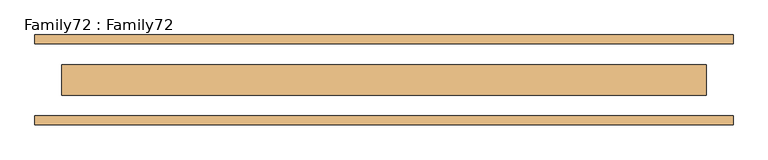
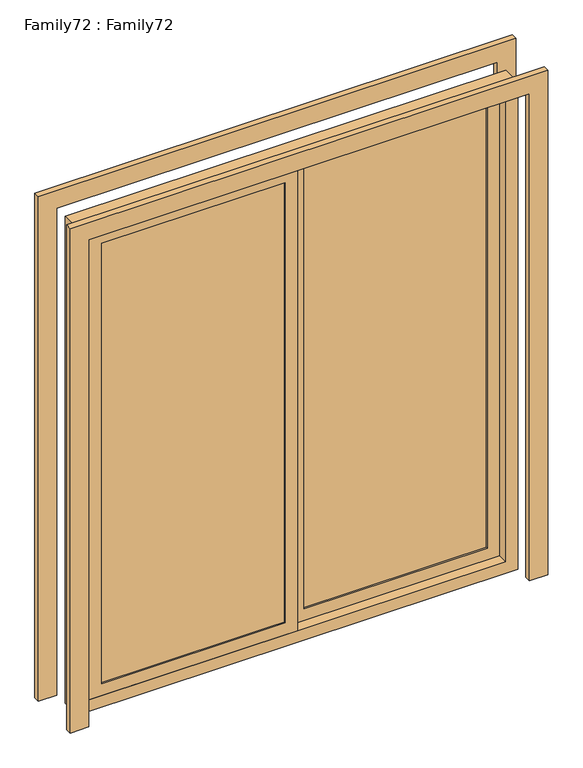
"""IFC4 building model written with IfcOpenShell, lengths in millimetres: door geometry, Family72 : Family72."""

from ifc_helpers import new_model, si_unit, frame, origin, place, context, project, spatial, polyline, outline, extrude, source, transform, mapped, element, save


def family72_family72_1752d117(model_context):
    return source(origin(), model_context, "Body", "SweptSolid", [
        extrude(outline(polyline([(2090.0, -895.0), (2090.0, 895.0), (0.0, 895.0), (0.0, 970.0), (2165.0, 970.0), (2165.0, -970.0), (0.0, -970.0), (0.0, -895.0), (2090.0, -895.0)])), frame((0.0, 100.0, 0.0), z_axis=(0.0, 1.0, 0.0), x_axis=(0.0, 0.0, 1.0)), (0.0, 0.0, 1.0), 25.0),
        extrude(outline(polyline([(2165.0, -970.0), (0.0, -970.0), (0.0, -895.0), (2090.0, -895.0), (2090.0, 895.0), (0.0, 895.0), (0.0, 970.0), (2165.0, 970.0), (2165.0, -970.0)])), frame((0.0, -125.0, 0.0), z_axis=(0.0, 1.0, 0.0), x_axis=(0.0, 0.0, 1.0)), (0.0, 0.0, 1.0), 25.0),
        extrude(outline(polyline([(-50.0, -31.0), (-50.0, -35.0), (-795.0, -35.0), (-795.0, -31.0), (-50.0, -31.0)])), frame((0.0, 0.0, 100.0), z_axis=(0.0, 0.0, 1.0), x_axis=(1.0, 0.0, 0.0)), (0.0, 0.0, 1.0), 1890.0),
        extrude(outline(polyline([(-795.0, -7.0), (-50.0, -7.0), (-50.0, -11.0), (-795.0, -11.0), (-795.0, -7.0)])), frame((0.0, 0.0, 100.0), z_axis=(0.0, 0.0, 1.0), x_axis=(1.0, 0.0, 0.0)), (0.0, 0.0, 1.0), 1890.0),
        extrude(outline(polyline([(795.0, 11.0), (795.0, 7.0), (50.0, 7.0), (50.0, 11.0), (795.0, 11.0)])), frame((0.0, 0.0, 100.0), z_axis=(0.0, 0.0, 1.0), x_axis=(1.0, 0.0, 0.0)), (0.0, 0.0, 1.0), 1890.0),
        extrude(outline(polyline([(50.0, 31.0), (50.0, 35.0), (795.0, 35.0), (795.0, 31.0), (50.0, 31.0)])), frame((0.0, 0.0, 100.0), z_axis=(0.0, 0.0, 1.0), x_axis=(1.0, 0.0, 0.0)), (0.0, 0.0, 1.0), 1890.0),
        extrude(outline(polyline([(2040.0, 845.0), (2040.0, 0.0), (50.0, 0.0), (50.0, 845.0), (2040.0, 845.0)]), holes=[polyline([(100.0, 795.0), (100.0, 50.0), (1990.0, 50.0), (1990.0, 795.0), (100.0, 795.0)])]), frame((0.0, 0.0, 0.0), z_axis=(0.0, 1.0, 0.0), x_axis=(0.0, 0.0, 1.0)), (0.0, 0.0, 1.0), 42.0),
        extrude(outline(polyline([(2040.0, 0.0), (2040.0, -845.0), (50.0, -845.0), (50.0, 0.0), (2040.0, 0.0)]), holes=[polyline([(100.0, -50.0), (100.0, -795.0), (1990.0, -795.0), (1990.0, -50.0), (100.0, -50.0)])]), frame((0.0, -42.0, 0.0), z_axis=(0.0, 1.0, 0.0), x_axis=(0.0, 0.0, 1.0)), (0.0, 0.0, 1.0), 42.0),
        extrude(outline(polyline([(2090.0, 895.0), (2090.0, -895.0), (0.0, -895.0), (0.0, 895.0), (2090.0, 895.0)]), holes=[polyline([(50.0, -845.0), (2040.0, -845.0), (2040.0, 845.0), (50.0, 845.0), (50.0, -845.0)])]), frame((0.0, -42.0, 0.0), z_axis=(0.0, 1.0, 0.0), x_axis=(0.0, 0.0, 1.0)), (0.0, 0.0, 1.0), 84.0),
    ])


if __name__ == "__main__":
    model = new_model("IFC4")
    model_context = context("Model", 3, world=origin())
    ifc_project = project(units=[si_unit("LENGTHUNIT", "METRE", prefix="MILLI")], contexts=[model_context])
    site = spatial("IfcSite", under=ifc_project)
    building = spatial("IfcBuilding", under=site)
    placement = place(None, origin())
    family72_family72_shape = family72_family72_1752d117(model_context)
    element("IfcDoor", 1, ObjectType="Family72 : Family72", at=placement, inside=building, context=model_context, shape_type="MappedRepresentation", body=[
        mapped(family72_family72_shape, transform((0.0, 0.0, 0.0), x_axis=(1.0, 0.0, 0.0), y_axis=(0.0, 1.0, 0.0), z_axis=(0.0, 0.0, 1.0))),
    ])
    save(model, "model.ifc")
